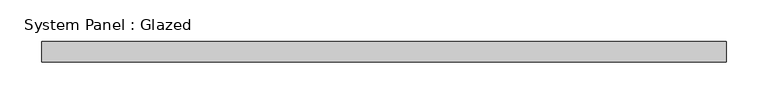
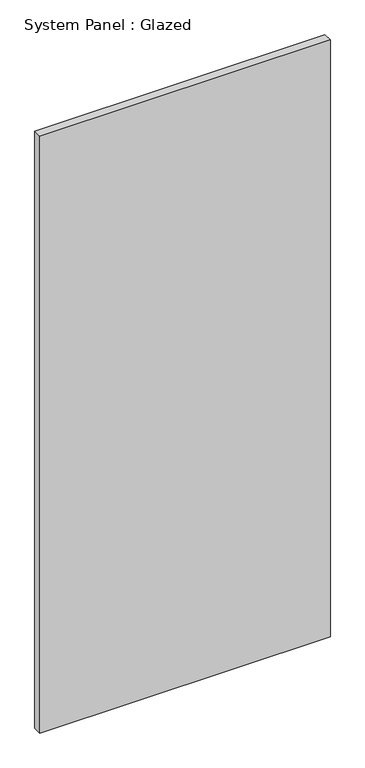
"""IFC4 building model written with IfcOpenShell, lengths in millimetres: plate geometry, System Panel : Glazed."""

from ifc_helpers import new_model, si_unit, origin, origin_with_axes, place, context, project, spatial, polyline, outline, extrude, source, transform, mapped, element, save


def system_panel_glazed_20402730(model_context):
    return source(origin(), model_context, "Body", "SweptSolid", [
        extrude(outline(polyline([(412.5, -49.5), (-412.5, -49.5), (-412.5, -24.5), (412.5, -24.5), (412.5, -49.5)])), origin_with_axes(), (0.0, 0.0, 1.0), 1791.6666667),
    ])


if __name__ == "__main__":
    model = new_model("IFC4")
    model_context = context("Model", 3, world=origin())
    ifc_project = project(units=[si_unit("LENGTHUNIT", "METRE", prefix="MILLI")], contexts=[model_context])
    site = spatial("IfcSite", under=ifc_project)
    building = spatial("IfcBuilding", under=site)
    placement = place(None, origin())
    system_panel_glazed_shape = system_panel_glazed_20402730(model_context)
    element("IfcPlate", 1, ObjectType="System Panel : Glazed", at=placement, inside=building, context=model_context, shape_type="MappedRepresentation", body=[
        mapped(system_panel_glazed_shape, transform((0.0, 0.0, 0.0), x_axis=(1.0, 0.0, 0.0), y_axis=(0.0, 1.0, 0.0), z_axis=(0.0, 0.0, 1.0))),
    ])
    save(model, "model.ifc")
